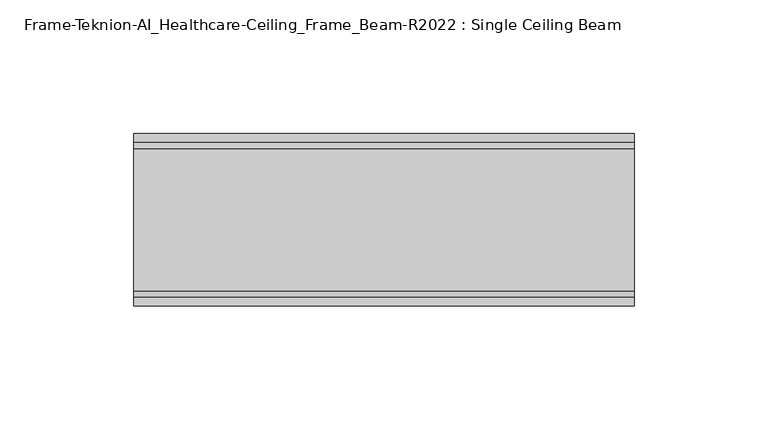
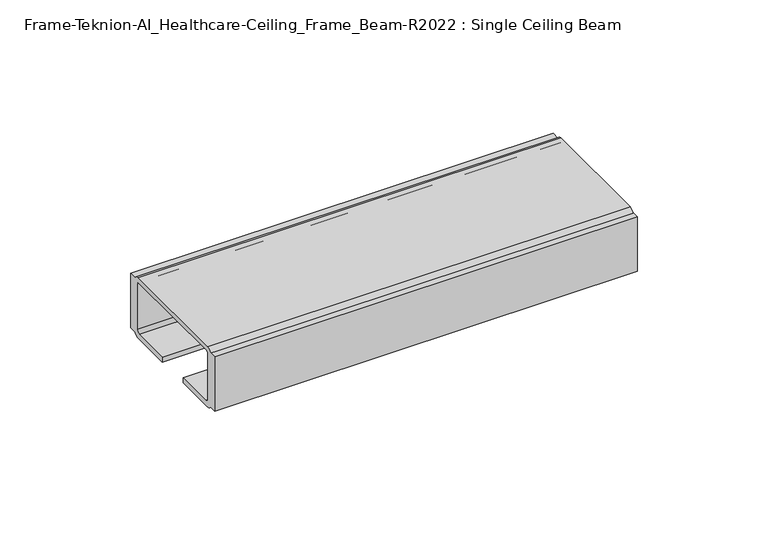
"""IFC4 building model written with IfcOpenShell, lengths in millimetres: furniture geometry, Frame-Teknion-AI_Healthcare-Ceiling_Frame_Beam-R2022 : Single Ceiling Beam."""

from ifc_helpers import new_model, si_unit, point, frame, frame_2d, origin, place, context, project, spatial, polyline, circle_curve, trimmed, segment, composite_curve, outline, extrude, source, transform, mapped, element, save


def frame_teknion_ai_healthcare_ceiling_frame_beam_r2022_single_33823d4f(model_context):
    return source(origin(), model_context, "Body", "SweptSolid", [
        extrude(outline(composite_curve([segment(polyline([(-32.174996, 1573.5046), (-32.174996, 1598.9045998), (-28.999999, 1598.9045998), (-28.999999, 1597.787)]), True, "CONTINUOUS"), segment(trimmed(circle_curve(frame_2d((-26.5869991, 1597.787)), 2.413), [point((-28.999999, 1597.787))], [point((-26.5869991, 1600.2))], False, "CARTESIAN"), True, "CONTINUOUS"), segment(polyline([(-26.5869991, 1600.2), (26.5869991, 1600.2)]), True, "CONTINUOUS"), segment(trimmed(circle_curve(frame_2d((26.5869991, 1597.787)), 2.413), [point((26.5869991, 1600.2))], [point((28.999999, 1597.787))], False, "CARTESIAN"), True, "CONTINUOUS"), segment(polyline([(28.999999, 1597.787), (28.999999, 1598.9045998), (32.174996, 1598.9045998), (32.174996, 1573.5046), (28.999999, 1573.5046), (28.999999, 1574.6129989)]), True, "CONTINUOUS"), segment(trimmed(circle_curve(frame_2d((26.5869991, 1574.6129989)), 2.413), [point((28.999999, 1574.6129989))], [point((26.5869991, 1572.199999))], False, "CARTESIAN"), True, "CONTINUOUS"), segment(polyline([(26.5869991, 1572.199999), (7.9374947, 1572.199999), (7.9374947, 1574.4859991), (25.4440002, 1574.4859991)]), True, "CONTINUOUS"), segment(trimmed(circle_curve(frame_2d((25.4440002, 1576.0099999)), 1.5240008), [point((25.4440002, 1574.4859991))], [point((26.968001, 1576.0099999))], True, "CARTESIAN"), True, "CONTINUOUS"), segment(polyline([(26.968001, 1576.0099999), (26.968001, 1597.1520009)]), True, "CONTINUOUS"), segment(trimmed(circle_curve(frame_2d((25.9520019, 1597.1520009)), 1.015999), [point((26.968001, 1597.1520009))], [point((25.9520019, 1598.168))], True, "CARTESIAN"), True, "CONTINUOUS"), segment(polyline([(25.9520019, 1598.168), (-25.9520019, 1598.168)]), True, "CONTINUOUS"), segment(trimmed(circle_curve(frame_2d((-25.9520019, 1597.1520009)), 1.015999), [point((-25.9520019, 1598.168))], [point((-26.968001, 1597.1520009))], True, "CARTESIAN"), True, "CONTINUOUS"), segment(polyline([(-26.968001, 1597.1520009), (-26.968001, 1576.0099999)]), True, "CONTINUOUS"), segment(trimmed(circle_curve(frame_2d((-25.4440002, 1576.0099999)), 1.5240008), [point((-26.968001, 1576.0099999))], [point((-25.4440002, 1574.4859991))], True, "CARTESIAN"), True, "CONTINUOUS"), segment(polyline([(-25.4440002, 1574.4859991), (-7.9374947, 1574.4859991), (-7.9374947, 1572.199999), (-26.5869991, 1572.199999)]), True, "CONTINUOUS"), segment(trimmed(circle_curve(frame_2d((-26.5869991, 1574.6129989)), 2.413), [point((-26.5869991, 1572.199999))], [point((-28.999999, 1574.6129989))], False, "CARTESIAN"), True, "CONTINUOUS"), segment(polyline([(-28.999999, 1574.6129989), (-28.999999, 1573.5046), (-32.174996, 1573.5046)]), True, "CONTINUOUS")], self_intersect=False)), frame((-93.3704, 0.0, 0.0), z_axis=(1.0, 0.0, 0.0), x_axis=(0.0, 1.0, 0.0)), (0.0, 0.0, 1.0), 186.7408),
    ])


if __name__ == "__main__":
    model = new_model("IFC4")
    model_context = context("Model", 3, world=origin())
    ifc_project = project(units=[si_unit("LENGTHUNIT", "METRE", prefix="MILLI")], contexts=[model_context])
    site = spatial("IfcSite", under=ifc_project)
    building = spatial("IfcBuilding", under=site)
    placement = place(None, origin())
    frame_teknion_ai_healthcare_ceiling_frame_beam_r2022_single_shape = frame_teknion_ai_healthcare_ceiling_frame_beam_r2022_single_33823d4f(model_context)
    element("IfcFurniture", 1, ObjectType="Frame-Teknion-AI_Healthcare-Ceiling_Frame_Beam-R2022 : Single Ceiling Beam", at=placement, inside=building, context=model_context, shape_type="MappedRepresentation", body=[
        mapped(frame_teknion_ai_healthcare_ceiling_frame_beam_r2022_single_shape, transform((0.0, 0.0, 0.0), x_axis=(1.0, 0.0, 0.0), y_axis=(0.0, 1.0, 0.0), z_axis=(0.0, 0.0, 1.0))),
    ])
    save(model, "model.ifc")
